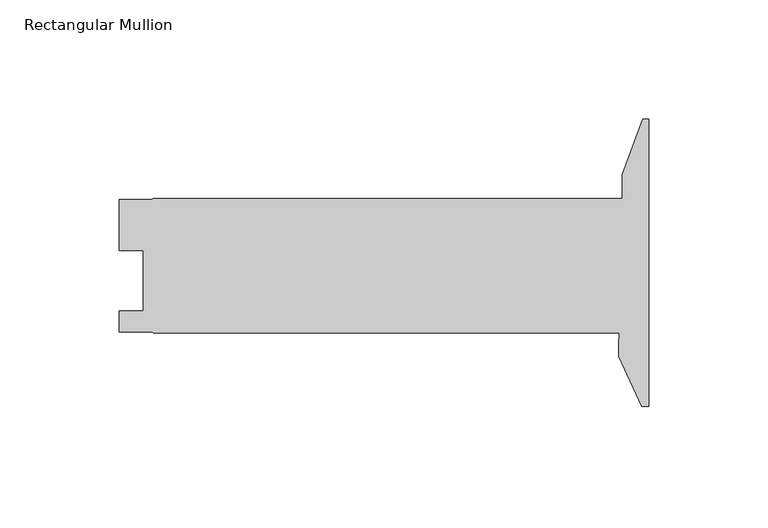
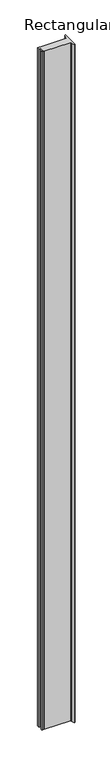
"""IFC4 building model written with IfcOpenShell, lengths in millimetres: member geometry, Rectangular Mullion."""

from ifc_helpers import new_model, si_unit, point, frame, frame_2d, origin, place, context, project, spatial, polyline, circle_curve, trimmed, segment, composite_curve, outline, extrude, source, transform, mapped, element, save


def rectangular_mullion_6d2244ef(model_context):
    return source(origin(), model_context, "Body", "SweptSolid", [
        extrude(outline(composite_curve([segment(polyline([(0.0, -103.2129), (-2.8679621, -103.2129), (-12.6987193, -82.130773), (-12.6987193, -77.342873)]), True, "CONTINUOUS"), segment(trimmed(circle_curve(frame_2d((-107.9362636, -69.405373)), 95.5677442), [point((-12.6987193, -77.342873))], [point((-12.4143461, -72.3646))], True, "CARTESIAN"), True, "CONTINUOUS"), segment(polyline([(-12.4143461, -72.3646), (-207.8974784, -72.3646), (-208.5594964, -71.90105), (-222.1849784, -71.90105), (-222.1849784, -63.16345), (-212.1392784, -63.16345), (-212.1392784, -37.76345), (-222.1722782, -37.76345), (-222.1722782, -16.3321999), (-208.6893719, -16.3321999), (-207.8974784, -15.875), (-11.1239193, -15.875), (-11.1239193, -5.9626569), (-2.6070581, 17.437227), (0.0, 17.437227), (0.0, -103.2129)]), True, "CONTINUOUS")], self_intersect=False)), frame((0.0, 0.0, -5203.9276707), z_axis=(0.0, 0.0, 1.0), x_axis=(1.0, 0.0, 0.0)), (0.0, 0.0, 1.0), 5203.9276707),
    ])


if __name__ == "__main__":
    model = new_model("IFC4")
    model_context = context("Model", 3, world=origin())
    ifc_project = project(units=[si_unit("LENGTHUNIT", "METRE", prefix="MILLI")], contexts=[model_context])
    site = spatial("IfcSite", under=ifc_project)
    building = spatial("IfcBuilding", under=site)
    placement = place(None, origin())
    rectangular_mullion_shape = rectangular_mullion_6d2244ef(model_context)
    element("IfcMember", 1, ObjectType="Rectangular Mullion", at=placement, inside=building, context=model_context, shape_type="MappedRepresentation", body=[
        mapped(rectangular_mullion_shape, transform((0.0, 0.0, 0.0), x_axis=(1.0, 0.0, 0.0), y_axis=(0.0, 1.0, 0.0), z_axis=(0.0, 0.0, 1.0))),
    ])
    save(model, "model.ifc")
